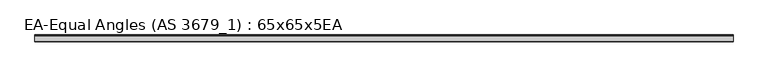
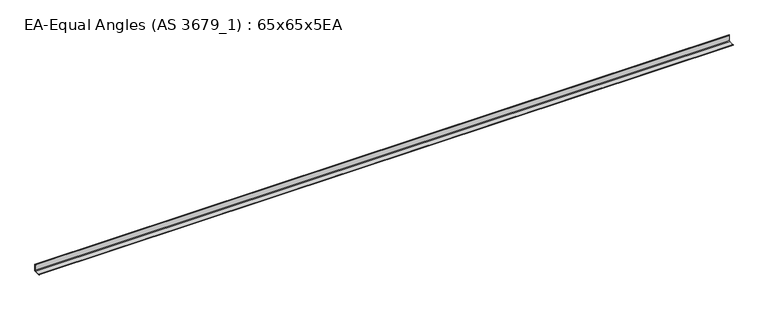
"""IFC4 building model written with IfcOpenShell, lengths in millimetres: beam geometry, EA-Equal Angles (AS 3679_1) : 65x65x5EA."""

from ifc_helpers import new_model, si_unit, point, frame, frame_2d, origin, place, context, project, spatial, polyline, circle_curve, trimmed, segment, composite_curve, outline, extrude, source, transform, mapped, element, save


def ea_equal_angles_as_3679_1_65x65x5ea_2a2d85b0(model_context):
    return source(origin(), model_context, "Body", "SweptSolid", [
        extrude(outline(composite_curve([segment(polyline([(17.7, -17.7), (-47.3, -17.7), (-47.3, -15.7)]), True, "CONTINUOUS"), segment(trimmed(circle_curve(frame_2d((-44.3, -15.7)), 3.0), [point((-47.3, -15.7))], [point((-44.3, -12.7))], False, "CARTESIAN"), True, "CONTINUOUS"), segment(polyline([(-44.3, -12.7), (6.7, -12.7)]), True, "CONTINUOUS"), segment(trimmed(circle_curve(frame_2d((6.7, -6.7)), 6.0), [point((6.7, -12.7))], [point((12.7, -6.7))], True, "CARTESIAN"), True, "CONTINUOUS"), segment(polyline([(12.7, -6.7), (12.7, 44.3)]), True, "CONTINUOUS"), segment(trimmed(circle_curve(frame_2d((15.7, 44.3)), 3.0), [point((12.7, 44.3))], [point((15.7, 47.3))], False, "CARTESIAN"), True, "CONTINUOUS"), segment(polyline([(15.7, 47.3), (17.7, 47.3), (17.7, -17.7)]), True, "CONTINUOUS")], self_intersect=False)), frame((-3257.25, 0.0, 0.0), z_axis=(1.0, 0.0, 0.0), x_axis=(0.0, 1.0, 0.0)), (0.0, 0.0, 1.0), 6514.5),
    ])


if __name__ == "__main__":
    model = new_model("IFC4")
    model_context = context("Model", 3, world=origin())
    ifc_project = project(units=[si_unit("LENGTHUNIT", "METRE", prefix="MILLI")], contexts=[model_context])
    site = spatial("IfcSite", under=ifc_project)
    building = spatial("IfcBuilding", under=site)
    placement = place(None, origin())
    ea_equal_angles_as_3679_1_65x65x5ea_shape = ea_equal_angles_as_3679_1_65x65x5ea_2a2d85b0(model_context)
    element("IfcBeam", 1, ObjectType="EA-Equal Angles (AS 3679_1) : 65x65x5EA", at=placement, inside=building, context=model_context, shape_type="MappedRepresentation", body=[
        mapped(ea_equal_angles_as_3679_1_65x65x5ea_shape, transform((0.0, 0.0, 0.0), x_axis=(1.0, 0.0, 0.0), y_axis=(0.0, 1.0, 0.0), z_axis=(0.0, 0.0, 1.0))),
    ])
    save(model, "model.ifc")
